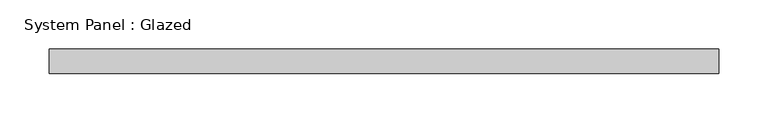
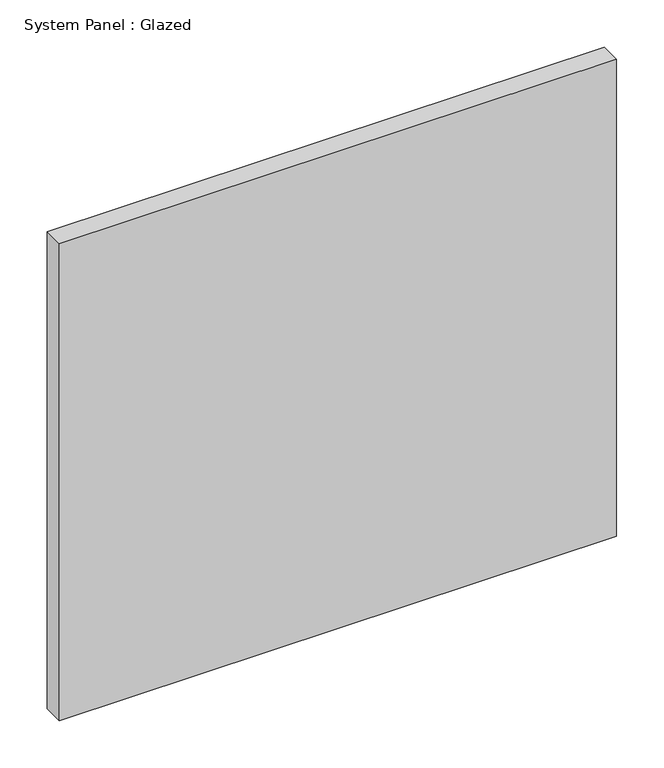
"""IFC4 building model written with IfcOpenShell, lengths in millimetres: plate geometry, System Panel : Glazed."""

from ifc_helpers import new_model, si_unit, origin, origin_with_axes, place, context, project, spatial, polyline, outline, extrude, source, transform, mapped, element, save


def system_panel_glazed_a79cc22d(model_context):
    return source(origin(), model_context, "Body", "SweptSolid", [
        extrude(outline(polyline([(340.0, 24.5), (-340.0, 24.5), (-340.0, 49.5), (340.0, 49.5), (340.0, 24.5)])), origin_with_axes(), (0.0, 0.0, 1.0), 615.0),
    ])


if __name__ == "__main__":
    model = new_model("IFC4")
    model_context = context("Model", 3, world=origin())
    ifc_project = project(units=[si_unit("LENGTHUNIT", "METRE", prefix="MILLI")], contexts=[model_context])
    site = spatial("IfcSite", under=ifc_project)
    building = spatial("IfcBuilding", under=site)
    placement = place(None, origin())
    system_panel_glazed_shape = system_panel_glazed_a79cc22d(model_context)
    element("IfcPlate", 1, ObjectType="System Panel : Glazed", at=placement, inside=building, context=model_context, shape_type="MappedRepresentation", body=[
        mapped(system_panel_glazed_shape, transform((0.0, 0.0, 0.0), x_axis=(1.0, 0.0, 0.0), y_axis=(0.0, 1.0, 0.0), z_axis=(0.0, 0.0, 1.0))),
    ])
    save(model, "model.ifc")
